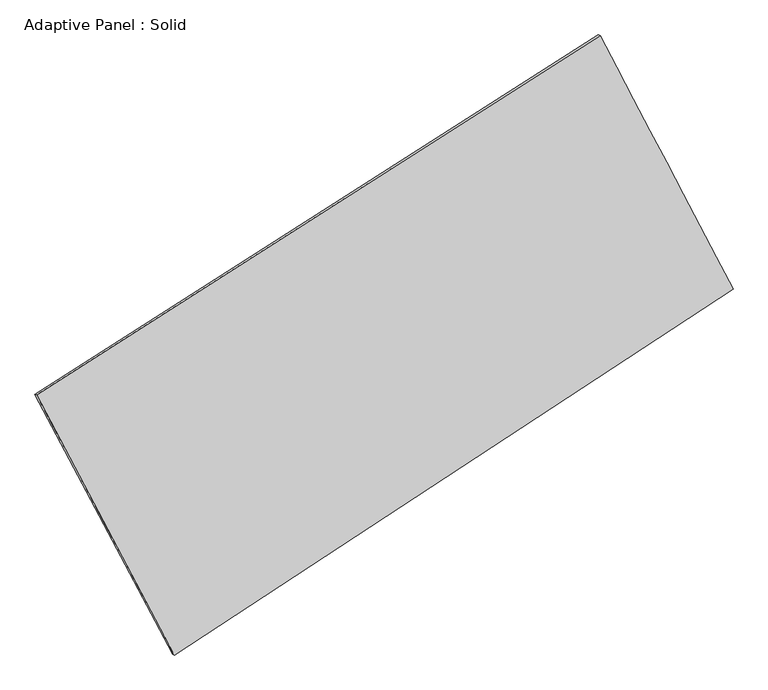
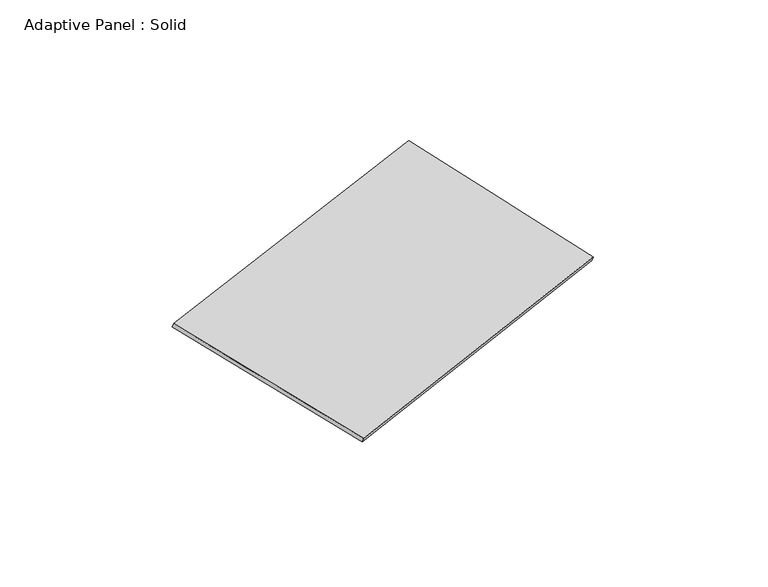
"""IFC4 building model written with IfcOpenShell, lengths in millimetres: plate geometry, Adaptive Panel : Solid."""

from ifc_helpers import new_model, si_unit, frame, origin, place, context, project, spatial, source, transform, mapped, element, save
from ifc_brep_helpers import plane_surface, spline_surface, advanced_brep


def adaptive_panel_solid_2e9b62b6(model_context):
    return source(origin(), model_context, "Body", "AdvancedBrep", [
        advanced_brep(
        [(1205.8552902, 2573.0378562, 671.9982269), (-3680.968342, -546.1270504, 1734.1346036), (-3666.3019861, -552.5071438, 1781.5075116), (1220.5216461, 2566.6577628, 719.3711349), (-2487.5075024, -2802.5734579, 1091.112866), (-2472.8411466, -2808.9535513, 1138.485774), (2359.329976, 375.4140791, -12.1231762), (2373.9963318, 369.0339857, 35.2497318)],
        [
            (0, 1),
            (1, 2),
            (2, 3),
            (3, 0),
            (1, 4),
            (4, 5),
            (5, 2),
            (4, 6),
            (6, 7),
            (7, 5),
            (6, 0),
            (3, 7),
        ],
        [
            plane_surface(frame((-1237.5565259, 1013.4554029, 1203.0664152), z_axis=(-0.47842165289681843, 0.8384350597607731, 0.2610351941854303), x_axis=(-0.8291287142751215, -0.5292168048769879, 0.18020862521054937))),
            plane_surface(frame((-3084.2379222, -1674.3502541, 1412.6237348), z_axis=(-0.8433735379554462, -0.5012396786846841, 0.19359715904059263), x_axis=(0.45337869256928526, -0.8571916967625669, -0.244274755399483))),
            plane_surface(frame((-64.0887632, -1213.5796894, 539.4948449), z_axis=(0.48649646470850516, -0.8332111159644213, -0.2628315545353145), x_axis=(0.8215147743538967, 0.5386530342757367, -0.1869930057082572))),
            plane_surface(frame((1782.5926331, 1474.2259677, 329.9375253), z_axis=(0.8427224979297894, 0.5024751368249979, -0.1932292119625707), x_axis=(-0.44803745458735167, 0.8536102052161254, 0.2657292923969263))),
            spline_surface(1, 1, [[(-3666.3019861, -552.5071438, 1781.5075116), (1220.5216461, 2566.6577628, 719.3711349)], [(-2472.8411466, -2808.9535513, 1138.485774), (2373.9963318, 369.0339857, 35.2497318)]], [2, 2], [2, 2], [0.0, 1.0], [0.0, 1.0]),
            spline_surface(1, 1, [[(2359.329976, 375.4140791, -12.1231762), (1205.8552902, 2573.0378562, 671.9982269)], [(-2487.5075024, -2802.5734579, 1091.112866), (-3680.968342, -546.1270504, 1734.1346036)]], [2, 2], [2, 2], [0.0, 1.0], [0.0, 1.0]),
        ],
        [
            (0, [[1, 2, 3, 4]]),
            (1, [[5, 6, 7, -2]]),
            (2, [[8, 9, 10, -6]]),
            (3, [[11, -4, 12, -9]]),
            (4, [[-3, -7, -10, -12]]),
            (5, [[-11, -8, -5, -1]]),
        ],
    ),
    ])


if __name__ == "__main__":
    model = new_model("IFC4")
    model_context = context("Model", 3, world=origin())
    ifc_project = project(units=[si_unit("LENGTHUNIT", "METRE", prefix="MILLI")], contexts=[model_context])
    site = spatial("IfcSite", under=ifc_project)
    building = spatial("IfcBuilding", under=site)
    placement = place(None, origin())
    adaptive_panel_solid_shape = adaptive_panel_solid_2e9b62b6(model_context)
    element("IfcPlate", 1, ObjectType="Adaptive Panel : Solid", at=placement, inside=building, context=model_context, shape_type="MappedRepresentation", body=[
        mapped(adaptive_panel_solid_shape, transform((0.0, 0.0, 0.0), x_axis=(1.0, 0.0, 0.0), y_axis=(0.0, 1.0, 0.0), z_axis=(0.0, 0.0, 1.0))),
    ])
    save(model, "model.ifc")
